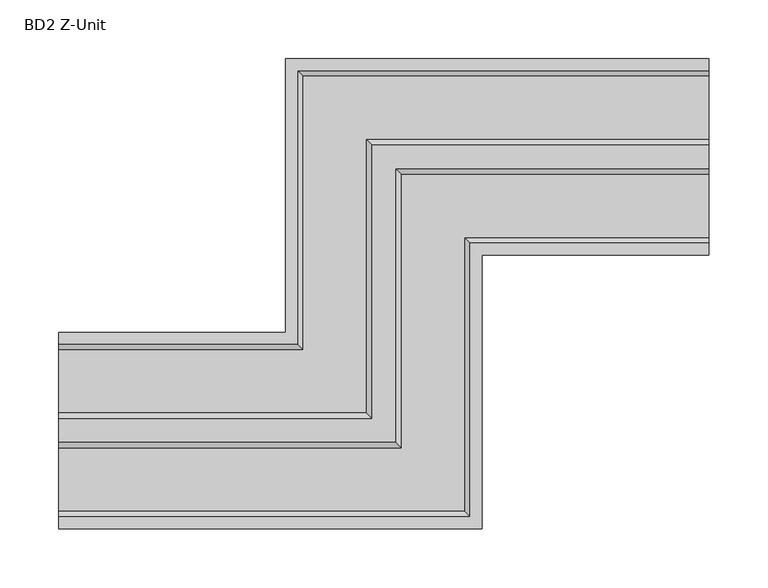
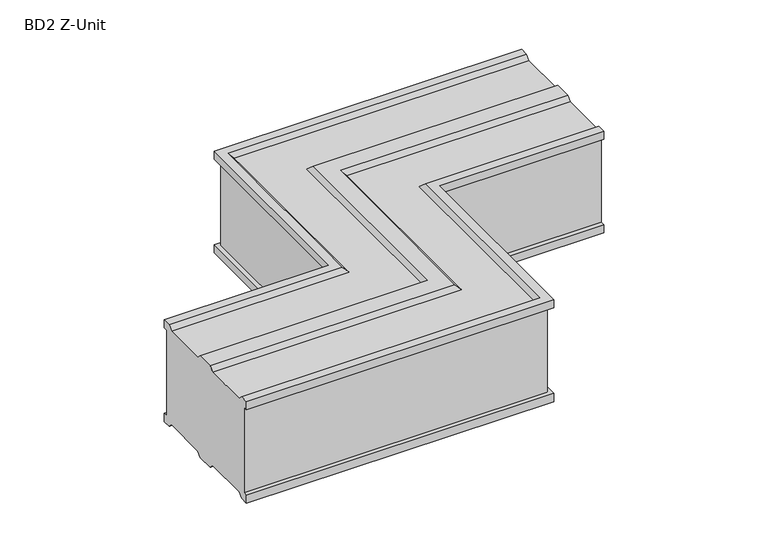
"""IFC4 building model written with IfcOpenShell, lengths in millimetres: proxy geometry, BD2 Z-Unit."""

from ifc_helpers import new_model, si_unit, origin, place, context, project, spatial, faceted_brep, source, transform, mapped, element, save


def bd2_z_unit_99e53c8b(model_context):
    return source(origin(), model_context, "Body", "Brep", [
        faceted_brep([(0.0, 167.0, 126.0), (0.0, 167.0, 116.0), (0.0, 162.0, 116.0), (0.0, 162.0, 10.0), (0.0, 167.0, 10.0), (0.0, 167.0, 0.0), (0.0, 157.0, 0.0), (0.0, 152.0, 5.0), (0.0, 98.5, 5.0), (0.0, 93.5, 0.0), (0.0, 73.5, 0.0), (0.0, 68.5, 5.0), (0.0, 15.0, 5.0), (0.0, 10.0, 0.0), (0.0, 0.0, 0.0), (0.0, 0.0, 10.0), (0.0, 5.0, 10.0), (0.0, 5.0, 116.0), (0.0, 0.0, 116.0), (0.0, 0.0, 126.0), (0.0, 10.0, 126.0), (0.0, 15.0, 121.0), (0.0, 68.5, 121.0), (0.0, 73.5, 126.0), (0.0, 93.5, 126.0), (0.0, 98.5, 121.0), (0.0, 152.0, 121.0), (0.0, 157.0, 126.0), (553.0, 400.0, 126.0), (553.0, 390.0, 126.0), (553.0, 385.0, 121.0), (553.0, 331.5, 121.0), (553.0, 326.5, 126.0), (553.0, 306.5, 126.0), (553.0, 301.5, 121.0), (553.0, 248.0, 121.0), (553.0, 243.0, 126.0), (553.0, 233.0, 126.0), (553.0, 233.0, 116.0), (553.0, 238.0, 116.0), (553.0, 238.0, 10.0), (553.0, 233.0, 10.0), (553.0, 233.0, 0.0), (553.0, 243.0, 0.0), (553.0, 248.0, 5.0), (553.0, 301.5, 5.0), (553.0, 306.5, 0.0), (553.0, 326.5, 0.0), (553.0, 331.5, 5.0), (553.0, 385.0, 5.0), (553.0, 390.0, 0.0), (553.0, 400.0, 0.0), (553.0, 400.0, 10.0), (553.0, 395.0, 10.0), (553.0, 395.0, 116.0), (553.0, 400.0, 116.0), (193.0, 167.0, 126.0), (193.0, 167.0, 116.0), (193.0, 400.0, 116.0), (198.0, 395.0, 116.0), (198.0, 162.0, 116.0), (198.0, 162.0, 10.0), (198.0, 395.0, 10.0), (193.0, 400.0, 10.0), (193.0, 167.0, 10.0), (193.0, 167.0, 0.0), (193.0, 400.0, 0.0), (203.0, 390.0, 0.0), (203.0, 157.0, 0.0), (208.0, 152.0, 5.0), (208.0, 385.0, 5.0), (261.5, 331.5, 5.0), (261.5, 98.5, 5.0), (266.5, 93.5, 0.0), (266.5, 326.5, 0.0), (286.5, 306.5, 0.0), (286.5, 73.5, 0.0), (291.5, 68.5, 5.0), (291.5, 301.5, 5.0), (345.0, 248.0, 5.0), (345.0, 15.0, 5.0), (350.0, 10.0, 0.0), (350.0, 243.0, 0.0), (360.0, 233.0, 0.0), (360.0, 0.0, 0.0), (360.0, 0.0, 10.0), (360.0, 233.0, 10.0), (355.0, 238.0, 10.0), (355.0, 5.0, 10.0), (355.0, 5.0, 116.0), (355.0, 238.0, 116.0), (360.0, 233.0, 116.0), (360.0, 0.0, 116.0), (360.0, 0.0, 126.0), (360.0, 233.0, 126.0), (350.0, 243.0, 126.0), (350.0, 10.0, 126.0), (345.0, 15.0, 121.0), (345.0, 248.0, 121.0), (291.5, 301.5, 121.0), (291.5, 68.5, 121.0), (286.5, 73.5, 126.0), (286.5, 306.5, 126.0), (266.5, 326.5, 126.0), (266.5, 93.5, 126.0), (261.5, 98.5, 121.0), (261.5, 331.5, 121.0), (208.0, 385.0, 121.0), (208.0, 152.0, 121.0), (203.0, 157.0, 126.0), (203.0, 390.0, 126.0), (193.0, 400.0, 126.0)], [[[0, 1, 2, 3, 4, 5, 6, 7, 8, 9, 10, 11, 12, 13, 14, 15, 16, 17, 18, 19, 20, 21, 22, 23, 24, 25, 26, 27]], [[28, 29, 30, 31, 32, 33, 34, 35, 36, 37, 38, 39, 40, 41, 42, 43, 44, 45, 46, 47, 48, 49, 50, 51, 52, 53, 54, 55]], [[1, 0, 56, 57]], [[2, 1, 57, 58, 55, 54, 59, 60]], [[3, 2, 60, 61]], [[4, 3, 61, 62, 53, 52, 63, 64]], [[5, 4, 64, 65]], [[6, 5, 65, 66, 51, 50, 67, 68]], [[7, 6, 68, 69]], [[8, 7, 69, 70, 49, 48, 71, 72]], [[9, 8, 72, 73]], [[10, 9, 73, 74, 47, 46, 75, 76]], [[11, 10, 76, 77]], [[12, 11, 77, 78, 45, 44, 79, 80]], [[13, 12, 80, 81]], [[14, 13, 81, 82, 43, 42, 83, 84]], [[15, 14, 84, 85]], [[16, 15, 85, 86, 41, 40, 87, 88]], [[17, 16, 88, 89]], [[18, 17, 89, 90, 39, 38, 91, 92]], [[19, 18, 92, 93]], [[20, 19, 93, 94, 37, 36, 95, 96]], [[21, 20, 96, 97]], [[22, 21, 97, 98, 35, 34, 99, 100]], [[23, 22, 100, 101]], [[24, 23, 101, 102, 33, 32, 103, 104]], [[25, 24, 104, 105]], [[26, 25, 105, 106, 31, 30, 107, 108]], [[27, 26, 108, 109]], [[0, 27, 109, 110, 29, 28, 111, 56]], [[57, 56, 111, 58]], [[61, 60, 59, 62]], [[65, 64, 63, 66]], [[69, 68, 67, 70]], [[73, 72, 71, 74]], [[77, 76, 75, 78]], [[81, 80, 79, 82]], [[85, 84, 83, 86]], [[89, 88, 87, 90]], [[93, 92, 91, 94]], [[97, 96, 95, 98]], [[101, 100, 99, 102]], [[105, 104, 103, 106]], [[109, 108, 107, 110]], [[58, 111, 28, 55]], [[62, 59, 54, 53]], [[66, 63, 52, 51]], [[70, 67, 50, 49]], [[74, 71, 48, 47]], [[78, 75, 46, 45]], [[82, 79, 44, 43]], [[86, 83, 42, 41]], [[90, 87, 40, 39]], [[94, 91, 38, 37]], [[98, 95, 36, 35]], [[102, 99, 34, 33]], [[106, 103, 32, 31]], [[110, 107, 30, 29]]]),
    ])


if __name__ == "__main__":
    model = new_model("IFC4")
    model_context = context("Model", 3, world=origin())
    ifc_project = project(units=[si_unit("LENGTHUNIT", "METRE", prefix="MILLI")], contexts=[model_context])
    site = spatial("IfcSite", under=ifc_project)
    building = spatial("IfcBuilding", under=site)
    placement = place(None, origin())
    bd2_z_unit_shape = bd2_z_unit_99e53c8b(model_context)
    element("IfcBuildingElementProxy", 1, Name="BD2 Z-Unit", ObjectType="BD2 Z-Unit", at=placement, inside=building, context=model_context, shape_type="MappedRepresentation", body=[
        mapped(bd2_z_unit_shape, transform((0.0, 0.0, 0.0), x_axis=(1.0, 0.0, 0.0), y_axis=(0.0, 1.0, 0.0), z_axis=(0.0, 0.0, 1.0))),
    ])
    save(model, "model.ifc")
